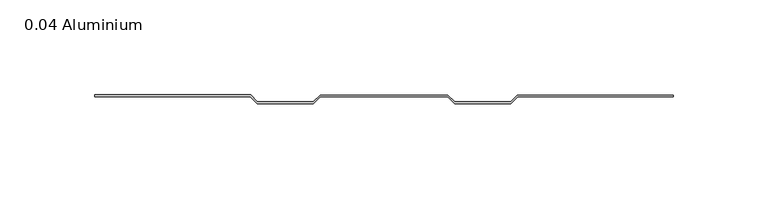
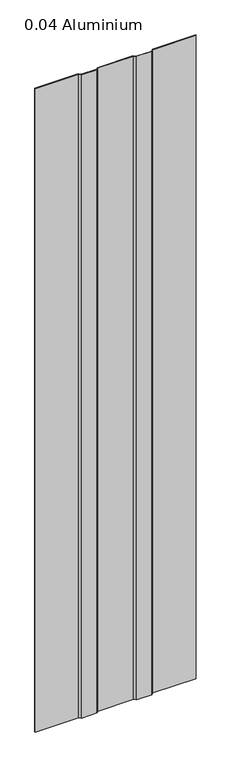
"""IFC4 building model written with IfcOpenShell, lengths in millimetres: plate geometry, 0.04 Aluminium."""

from ifc_helpers import new_model, si_unit, origin, origin_with_axes, place, context, project, spatial, polyline, outline, extrude, source, transform, mapped, element, save


def plate_0_04_aluminium_242eb495(model_context):
    return source(origin(), model_context, "Body", "SweptSolid", [
        extrude(outline(polyline([(-70.35546, 1.016), (-66.80708, -2.53238), (-37.26688, -2.53238), (-33.7185, 0.8128), (33.7185, 0.8128), (37.26688, -2.73558), (66.80708, -2.73558), (70.35546, 0.8128), (152.4, 0.8128), (152.4, 0.0), (70.419167, 0.0), (66.870787, -3.54838), (37.203173, -3.54838), (33.654793, 0.0), (-33.654793, 0.0), (-37.203173, -3.54838), (-66.870787, -3.54838), (-70.419167, 0.0), (-152.4, 0.0), (-152.4, 1.016), (-70.35546, 1.016)])), origin_with_axes(), (0.0, 0.0, 1.0), 1285.875),
    ])


if __name__ == "__main__":
    model = new_model("IFC4")
    model_context = context("Model", 3, world=origin())
    ifc_project = project(units=[si_unit("LENGTHUNIT", "METRE", prefix="MILLI")], contexts=[model_context])
    site = spatial("IfcSite", under=ifc_project)
    building = spatial("IfcBuilding", under=site)
    placement = place(None, origin())
    plate_0_04_aluminium_shape = plate_0_04_aluminium_242eb495(model_context)
    element("IfcPlate", 1, ObjectType="0.04 Aluminium", at=placement, inside=building, context=model_context, shape_type="MappedRepresentation", body=[
        mapped(plate_0_04_aluminium_shape, transform((0.0, 0.0, 0.0), x_axis=(1.0, 0.0, 0.0), y_axis=(0.0, 1.0, 0.0), z_axis=(0.0, 0.0, 1.0))),
    ])
    save(model, "model.ifc")
